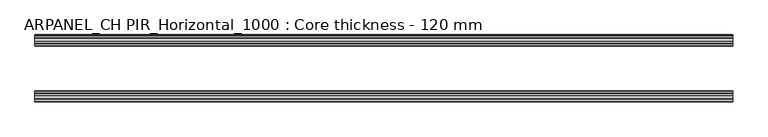
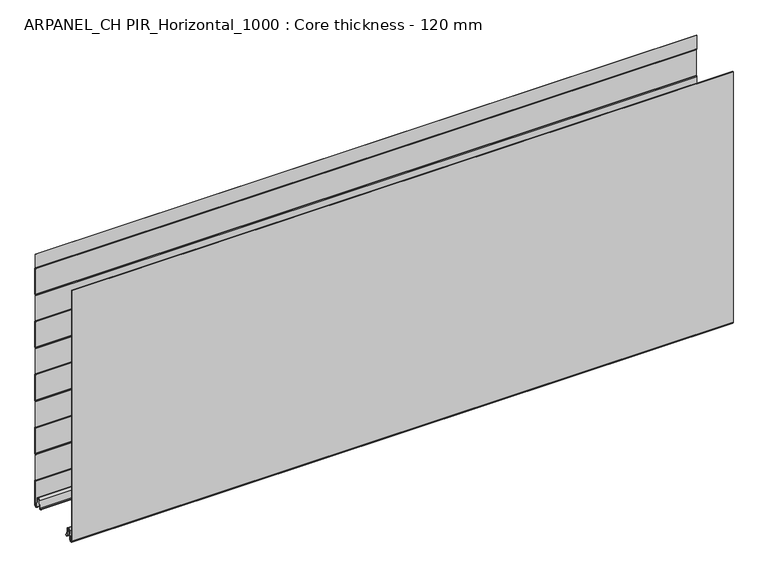
"""IFC4 building model written with IfcOpenShell, lengths in millimetres: plate geometry, ARPANEL_CH PIR_Horizontal_1000 : Core thickness - 120 mm."""

from ifc_helpers import new_model, si_unit, frame, origin, place, context, project, spatial, polyline, circle_curve, source, transform, mapped, element, save
from ifc_brep_helpers import plane_surface, cylinder_surface, revolved_surface, advanced_brep


def arpanel_ch_pir_horizontal_1000_core_thickness_120_mm_7b24f5a2(model_context):
    return source(origin(), model_context, "Body", "AdvancedBrep", [
        advanced_brep(
        [(620.0, -1.5003051, 473.4703605), (620.0, -1.0971009, 472.0509491), (620.0, -0.8, 470.9985637), (620.0, -0.8, 420.8387805), (620.0, -1.0986697, 419.7873646), (620.0, -1.5003051, 418.3669837), (620.0, -1.5003051, 368.2072005), (620.0, -1.0971009, 366.7877891), (620.0, -0.8, 365.7354037), (620.0, -0.8, 315.5756205), (620.0, -1.0986697, 314.5242046), (620.0, -1.5003051, 313.1038237), (620.0, -1.5003051, 262.9440405), (620.0, -1.0971009, 261.5246291), (620.0, -0.8, 260.4722437), (620.0, -0.8, 210.3124605), (620.0, -1.0986697, 209.2610446), (620.0, -1.5003051, 207.8406637), (620.0, -1.5003051, 157.6808805), (620.0, -1.0971009, 156.2614691), (620.0, -0.8, 155.2090837), (620.0, -0.8, 105.0493005), (620.0, -1.0986697, 103.9978846), (620.0, -1.5003051, 102.5775037), (620.0, -1.5003051, 52.4177205), (620.0, -1.0971009, 50.9983091), (620.0, -0.8, 49.9459237), (620.0, -0.8, 3.0900682), (620.0, -5.3893281, 2.8656275), (620.0, -7.0067021, 19.3608832), (620.0, -10.8223285, 22.7899182), (620.0, -14.6379549, 19.3608832), (620.0, -16.0235822, 5.2291629), (620.0, -18.8169005, 5.365779), (620.0, -19.6169005, 5.365779), (620.0, -15.2274002, 5.1510966), (620.0, -13.8417729, 19.2828169), (620.0, -10.8223285, 21.9898782), (620.0, -7.802884, 19.2828169), (620.0, -6.18551, 2.7875612), (620.0, -0.0003051, 3.0900682), (620.0, -0.0003051, 49.9459237), (620.0, -0.4034608, 51.3652568), (620.0, -0.7003051, 52.4177205), (620.0, -0.7003051, 102.5775037), (620.0, -0.4016712, 103.6288615), (620.0, -0.0003051, 105.0493005), (620.0, -0.0003051, 155.2090837), (620.0, -0.4034608, 156.6284168), (620.0, -0.7003051, 157.6808805), (620.0, -0.7003051, 207.8406637), (620.0, -0.4016712, 208.8920215), (620.0, -0.0003051, 210.3124605), (620.0, -0.0003051, 260.4722437), (620.0, -0.4034608, 261.8915768), (620.0, -0.7003051, 262.9440405), (620.0, -0.7003051, 313.1038237), (620.0, -0.4016712, 314.1551815), (620.0, -0.0003051, 315.5756205), (620.0, -0.0003051, 365.7354037), (620.0, -0.4034608, 367.1547368), (620.0, -0.7003051, 368.2072005), (620.0, -0.7003051, 418.3669837), (620.0, -0.4016712, 419.4183415), (620.0, -0.0003051, 420.8387805), (620.0, -0.0003051, 470.9985637), (620.0, -0.4034608, 472.4178968), (620.0, -0.7003051, 473.4703605), (620.0, -0.7003051, 500.0), (620.0, -1.5003051, 500.0), (-620.0, -0.7003051, 473.4703605), (-620.0, -0.4016712, 472.4190026), (-620.0, -0.0003051, 470.9985637), (-620.0, -0.0003051, 420.8387805), (-620.0, -0.4034608, 419.4194474), (-620.0, -0.7003051, 418.3669837), (-620.0, -0.7003051, 368.2072005), (-620.0, -0.4016712, 367.1558426), (-620.0, -0.0003051, 365.7354037), (-620.0, -0.0003051, 315.5756205), (-620.0, -0.4034608, 314.1562874), (-620.0, -0.7003051, 313.1038237), (-620.0, -0.7003051, 262.9440405), (-620.0, -0.4016712, 261.8926826), (-620.0, -0.0003051, 260.4722437), (-620.0, -0.0003051, 210.3124605), (-620.0, -0.4034608, 208.8931274), (-620.0, -0.7003051, 207.8406637), (-620.0, -0.7003051, 157.6808805), (-620.0, -0.4016712, 156.6295226), (-620.0, -0.0003051, 155.2090837), (-620.0, -0.0003051, 105.0493005), (-620.0, -0.4034608, 103.6299674), (-620.0, -0.7003051, 102.5775037), (-620.0, -0.7003051, 52.4177205), (-620.0, -0.4016712, 51.3663626), (-620.0, -0.0003051, 49.9459237), (-620.0, -0.0003051, 3.0900682), (-620.0, -6.18551, 2.7875612), (-620.0, -7.802884, 19.2828169), (-620.0, -10.8223285, 21.9898782), (-620.0, -13.8417729, 19.2828169), (-620.0, -15.2274002, 5.1510966), (-620.0, -19.6169005, 5.365779), (-620.0, -18.8169005, 5.365779), (-620.0, -16.0235822, 5.2291629), (-620.0, -14.6379549, 19.3608832), (-620.0, -10.8223285, 22.7899182), (-620.0, -7.0067021, 19.3608832), (-620.0, -5.3893281, 2.8656275), (-620.0, -0.8003051, 3.0900682), (-620.0, -0.8, 49.9459237), (-620.0, -1.0986697, 50.9973395), (-620.0, -1.5003051, 52.4177205), (-620.0, -1.5003051, 102.5775037), (-620.0, -1.0971009, 103.9969151), (-620.0, -0.8, 105.0493005), (-620.0, -0.8, 155.2090837), (-620.0, -1.0986697, 156.2604995), (-620.0, -1.5003051, 157.6808805), (-620.0, -1.5003051, 207.8406637), (-620.0, -1.0971009, 209.2600751), (-620.0, -0.8, 210.3124605), (-620.0, -0.8, 260.4722437), (-620.0, -1.0986697, 261.5236595), (-620.0, -1.5003051, 262.9440405), (-620.0, -1.5003051, 313.1038237), (-620.0, -1.0971009, 314.5232351), (-620.0, -0.8, 315.5756205), (-620.0, -0.8, 365.7354037), (-620.0, -1.0986697, 366.7868195), (-620.0, -1.5003051, 368.2072005), (-620.0, -1.5003051, 418.3669837), (-620.0, -1.0971009, 419.7863951), (-620.0, -0.8, 420.8387805), (-620.0, -0.8, 470.9985637), (-620.0, -1.0986697, 472.0499795), (-620.0, -1.5003051, 473.4703605), (-620.0, -1.5003051, 500.0), (-620.0, -0.7003051, 500.0)],
        [
            (0, 1, circle_curve(frame((620.0, 1.1996949, 473.4703605), z_axis=(1.0, 0.0, 0.0), x_axis=(0.0, 0.0, -1.0)), 2.7)),
            (1, 2, circle_curve(frame((620.0, -2.8, 470.9985637), z_axis=(-1.0, 0.0, 0.0), x_axis=(0.0, 0.0, -1.0)), 2.0)),
            (2, 3),
            (3, 4, circle_curve(frame((620.0, -2.8, 420.8387805), z_axis=(-1.0, 0.0, 0.0), x_axis=(0.0, 0.0, -1.0)), 2.0)),
            (4, 5, circle_curve(frame((620.0, 1.1996949, 418.3669837), z_axis=(1.0, 0.0, 0.0), x_axis=(0.0, 0.0, -1.0)), 2.7)),
            (5, 6),
            (6, 7, circle_curve(frame((620.0, 1.1996949, 368.2072005), z_axis=(1.0, 0.0, 0.0), x_axis=(0.0, 0.0, -1.0)), 2.7)),
            (7, 8, circle_curve(frame((620.0, -2.8, 365.7354037), z_axis=(-1.0, 0.0, 0.0), x_axis=(0.0, 0.0, -1.0)), 2.0)),
            (8, 9),
            (9, 10, circle_curve(frame((620.0, -2.8, 315.5756205), z_axis=(-1.0, 0.0, 0.0), x_axis=(0.0, 0.0, -1.0)), 2.0)),
            (10, 11, circle_curve(frame((620.0, 1.1996949, 313.1038237), z_axis=(1.0, 0.0, 0.0), x_axis=(0.0, 0.0, -1.0)), 2.7)),
            (11, 12),
            (12, 13, circle_curve(frame((620.0, 1.1996949, 262.9440405), z_axis=(1.0, 0.0, 0.0), x_axis=(0.0, 0.0, -1.0)), 2.7)),
            (13, 14, circle_curve(frame((620.0, -2.8, 260.4722437), z_axis=(-1.0, 0.0, 0.0), x_axis=(0.0, 0.0, -1.0)), 2.0)),
            (14, 15),
            (15, 16, circle_curve(frame((620.0, -2.8, 210.3124605), z_axis=(-1.0, 0.0, 0.0), x_axis=(0.0, 0.0, -1.0)), 2.0)),
            (16, 17, circle_curve(frame((620.0, 1.1996949, 207.8406637), z_axis=(1.0, 0.0, 0.0), x_axis=(0.0, 0.0, -1.0)), 2.7)),
            (17, 18),
            (18, 19, circle_curve(frame((620.0, 1.1996949, 157.6808805), z_axis=(1.0, 0.0, 0.0), x_axis=(0.0, 0.0, -1.0)), 2.7)),
            (19, 20, circle_curve(frame((620.0, -2.8, 155.2090837), z_axis=(-1.0, 0.0, 0.0), x_axis=(0.0, 0.0, -1.0)), 2.0)),
            (20, 21),
            (21, 22, circle_curve(frame((620.0, -2.8, 105.0493005), z_axis=(-1.0, 0.0, 0.0), x_axis=(0.0, 0.0, -1.0)), 2.0)),
            (22, 23, circle_curve(frame((620.0, 1.1996949, 102.5775037), z_axis=(1.0, 0.0, 0.0), x_axis=(0.0, 0.0, -1.0)), 2.7)),
            (23, 24),
            (24, 25, circle_curve(frame((620.0, 1.1996949, 52.4177205), z_axis=(1.0, 0.0, 0.0), x_axis=(0.0, 0.0, -1.0)), 2.7)),
            (25, 26, circle_curve(frame((620.0, -2.8, 49.9459237), z_axis=(-1.0, 0.0, 0.0), x_axis=(0.0, 0.0, -1.0)), 2.0)),
            (26, 27),
            (27, 28, circle_curve(frame((620.0, -3.1003051, 3.0900682), z_axis=(-1.0, 0.0, 0.0), x_axis=(0.0, 0.0, -1.0)), 2.3)),
            (28, 29),
            (29, 30, circle_curve(frame((620.0, -10.7885662, 18.9900682), z_axis=(1.0, 0.0, 0.0), x_axis=(0.0, 0.0, -1.0)), 3.8)),
            (30, 31, circle_curve(frame((620.0, -10.8560907, 18.9900682), z_axis=(1.0, 0.0, 0.0), x_axis=(0.0, 0.0, -1.0)), 3.8)),
            (31, 32),
            (32, 33, circle_curve(frame((620.0, -17.4169005, 5.365779), z_axis=(-1.0, 0.0, 0.0), x_axis=(0.0, 0.0, -1.0)), 1.4)),
            (33, 34),
            (34, 35, circle_curve(frame((620.0, -17.4169005, 5.365779), z_axis=(1.0, 0.0, 0.0), x_axis=(0.0, 0.0, -1.0)), 2.2)),
            (35, 36),
            (36, 37, circle_curve(frame((620.0, -10.8560907, 18.9900682), z_axis=(-1.0, 0.0, 0.0), x_axis=(0.0, 0.0, -1.0)), 3.0)),
            (37, 38, circle_curve(frame((620.0, -10.7885662, 18.9900682), z_axis=(-1.0, 0.0, 0.0), x_axis=(0.0, 0.0, -1.0)), 3.0)),
            (38, 39),
            (39, 40, circle_curve(frame((620.0, -3.1003051, 3.0900682), z_axis=(1.0, 0.0, 0.0), x_axis=(0.0, 0.0, -1.0)), 3.1)),
            (40, 41),
            (41, 42, circle_curve(frame((620.0, -2.7003051, 49.9459237), z_axis=(1.0, 0.0, 0.0), x_axis=(0.0, 0.0, -1.0)), 2.7)),
            (42, 43, circle_curve(frame((620.0, 1.2996949, 52.4177205), z_axis=(-1.0, 0.0, 0.0), x_axis=(0.0, 0.0, -1.0)), 2.0)),
            (43, 44),
            (44, 45, circle_curve(frame((620.0, 1.2996949, 102.5775037), z_axis=(-1.0, 0.0, 0.0), x_axis=(0.0, 0.0, -1.0)), 2.0)),
            (45, 46, circle_curve(frame((620.0, -2.7003051, 105.0493005), z_axis=(1.0, 0.0, 0.0), x_axis=(0.0, 0.0, -1.0)), 2.7)),
            (46, 47),
            (47, 48, circle_curve(frame((620.0, -2.7003051, 155.2090837), z_axis=(1.0, 0.0, 0.0), x_axis=(0.0, 0.0, -1.0)), 2.7)),
            (48, 49, circle_curve(frame((620.0, 1.2996949, 157.6808805), z_axis=(-1.0, 0.0, 0.0), x_axis=(0.0, 0.0, -1.0)), 2.0)),
            (49, 50),
            (50, 51, circle_curve(frame((620.0, 1.2996949, 207.8406637), z_axis=(-1.0, 0.0, 0.0), x_axis=(0.0, 0.0, -1.0)), 2.0)),
            (51, 52, circle_curve(frame((620.0, -2.7003051, 210.3124605), z_axis=(1.0, 0.0, 0.0), x_axis=(0.0, 0.0, -1.0)), 2.7)),
            (52, 53),
            (53, 54, circle_curve(frame((620.0, -2.7003051, 260.4722437), z_axis=(1.0, 0.0, 0.0), x_axis=(0.0, 0.0, -1.0)), 2.7)),
            (54, 55, circle_curve(frame((620.0, 1.2996949, 262.9440405), z_axis=(-1.0, 0.0, 0.0), x_axis=(0.0, 0.0, -1.0)), 2.0)),
            (55, 56),
            (56, 57, circle_curve(frame((620.0, 1.2996949, 313.1038237), z_axis=(-1.0, 0.0, 0.0), x_axis=(0.0, 0.0, -1.0)), 2.0)),
            (57, 58, circle_curve(frame((620.0, -2.7003051, 315.5756205), z_axis=(1.0, 0.0, 0.0), x_axis=(0.0, 0.0, -1.0)), 2.7)),
            (58, 59),
            (59, 60, circle_curve(frame((620.0, -2.7003051, 365.7354037), z_axis=(1.0, 0.0, 0.0), x_axis=(0.0, 0.0, -1.0)), 2.7)),
            (60, 61, circle_curve(frame((620.0, 1.2996949, 368.2072005), z_axis=(-1.0, 0.0, 0.0), x_axis=(0.0, 0.0, -1.0)), 2.0)),
            (61, 62),
            (62, 63, circle_curve(frame((620.0, 1.2996949, 418.3669837), z_axis=(-1.0, 0.0, 0.0), x_axis=(0.0, 0.0, -1.0)), 2.0)),
            (63, 64, circle_curve(frame((620.0, -2.7003051, 420.8387805), z_axis=(1.0, 0.0, 0.0), x_axis=(0.0, 0.0, -1.0)), 2.7)),
            (64, 65),
            (65, 66, circle_curve(frame((620.0, -2.7003051, 470.9985637), z_axis=(1.0, 0.0, 0.0), x_axis=(0.0, 0.0, -1.0)), 2.7)),
            (66, 67, circle_curve(frame((620.0, 1.2996949, 473.4703605), z_axis=(-1.0, 0.0, 0.0), x_axis=(0.0, 0.0, -1.0)), 2.0)),
            (67, 68),
            (68, 69),
            (69, 0),
            (70, 71, circle_curve(frame((-620.0, 1.2996949, 473.4703605), z_axis=(1.0, 0.0, 0.0), x_axis=(0.0, 0.0, -1.0)), 2.0)),
            (71, 72, circle_curve(frame((-620.0, -2.7003051, 470.9985637), z_axis=(-1.0, 0.0, 0.0), x_axis=(0.0, 0.0, -1.0)), 2.7)),
            (72, 73),
            (73, 74, circle_curve(frame((-620.0, -2.7003051, 420.8387805), z_axis=(-1.0, 0.0, 0.0), x_axis=(0.0, 0.0, -1.0)), 2.7)),
            (74, 75, circle_curve(frame((-620.0, 1.2996949, 418.3669837), z_axis=(1.0, 0.0, 0.0), x_axis=(0.0, 0.0, -1.0)), 2.0)),
            (75, 76),
            (76, 77, circle_curve(frame((-620.0, 1.2996949, 368.2072005), z_axis=(1.0, 0.0, 0.0), x_axis=(0.0, 0.0, -1.0)), 2.0)),
            (77, 78, circle_curve(frame((-620.0, -2.7003051, 365.7354037), z_axis=(-1.0, 0.0, 0.0), x_axis=(0.0, 0.0, -1.0)), 2.7)),
            (78, 79),
            (79, 80, circle_curve(frame((-620.0, -2.7003051, 315.5756205), z_axis=(-1.0, 0.0, 0.0), x_axis=(0.0, 0.0, -1.0)), 2.7)),
            (80, 81, circle_curve(frame((-620.0, 1.2996949, 313.1038237), z_axis=(1.0, 0.0, 0.0), x_axis=(0.0, 0.0, -1.0)), 2.0)),
            (81, 82),
            (82, 83, circle_curve(frame((-620.0, 1.2996949, 262.9440405), z_axis=(1.0, 0.0, 0.0), x_axis=(0.0, 0.0, -1.0)), 2.0)),
            (83, 84, circle_curve(frame((-620.0, -2.7003051, 260.4722437), z_axis=(-1.0, 0.0, 0.0), x_axis=(0.0, 0.0, -1.0)), 2.7)),
            (84, 85),
            (85, 86, circle_curve(frame((-620.0, -2.7003051, 210.3124605), z_axis=(-1.0, 0.0, 0.0), x_axis=(0.0, 0.0, -1.0)), 2.7)),
            (86, 87, circle_curve(frame((-620.0, 1.2996949, 207.8406637), z_axis=(1.0, 0.0, 0.0), x_axis=(0.0, 0.0, -1.0)), 2.0)),
            (87, 88),
            (88, 89, circle_curve(frame((-620.0, 1.2996949, 157.6808805), z_axis=(1.0, 0.0, 0.0), x_axis=(0.0, 0.0, -1.0)), 2.0)),
            (89, 90, circle_curve(frame((-620.0, -2.7003051, 155.2090837), z_axis=(-1.0, 0.0, 0.0), x_axis=(0.0, 0.0, -1.0)), 2.7)),
            (90, 91),
            (91, 92, circle_curve(frame((-620.0, -2.7003051, 105.0493005), z_axis=(-1.0, 0.0, 0.0), x_axis=(0.0, 0.0, -1.0)), 2.7)),
            (92, 93, circle_curve(frame((-620.0, 1.2996949, 102.5775037), z_axis=(1.0, 0.0, 0.0), x_axis=(0.0, 0.0, -1.0)), 2.0)),
            (93, 94),
            (94, 95, circle_curve(frame((-620.0, 1.2996949, 52.4177205), z_axis=(1.0, 0.0, 0.0), x_axis=(0.0, 0.0, -1.0)), 2.0)),
            (95, 96, circle_curve(frame((-620.0, -2.7003051, 49.9459237), z_axis=(-1.0, 0.0, 0.0), x_axis=(0.0, 0.0, -1.0)), 2.7)),
            (96, 97),
            (97, 98, circle_curve(frame((-620.0, -3.1003051, 3.0900682), z_axis=(-1.0, 0.0, 0.0), x_axis=(0.0, 0.0, -1.0)), 3.1)),
            (98, 99),
            (99, 100, circle_curve(frame((-620.0, -10.7885662, 18.9900682), z_axis=(1.0, 0.0, 0.0), x_axis=(0.0, 0.0, -1.0)), 3.0)),
            (100, 101, circle_curve(frame((-620.0, -10.8560907, 18.9900682), z_axis=(1.0, 0.0, 0.0), x_axis=(0.0, 0.0, -1.0)), 3.0)),
            (101, 102),
            (102, 103, circle_curve(frame((-620.0, -17.4169005, 5.365779), z_axis=(-1.0, 0.0, 0.0), x_axis=(0.0, 0.0, -1.0)), 2.2)),
            (103, 104),
            (104, 105, circle_curve(frame((-620.0, -17.4169005, 5.365779), z_axis=(1.0, 0.0, 0.0), x_axis=(0.0, 0.0, -1.0)), 1.4)),
            (105, 106),
            (106, 107, circle_curve(frame((-620.0, -10.8560907, 18.9900682), z_axis=(-1.0, 0.0, 0.0), x_axis=(0.0, 0.0, -1.0)), 3.8)),
            (107, 108, circle_curve(frame((-620.0, -10.7885662, 18.9900682), z_axis=(-1.0, 0.0, 0.0), x_axis=(0.0, 0.0, -1.0)), 3.8)),
            (108, 109),
            (109, 110, circle_curve(frame((-620.0, -3.1003051, 3.0900682), z_axis=(1.0, 0.0, 0.0), x_axis=(0.0, 0.0, -1.0)), 2.3)),
            (110, 111),
            (111, 112, circle_curve(frame((-620.0, -2.8, 49.9459237), z_axis=(1.0, 0.0, 0.0), x_axis=(0.0, 0.0, -1.0)), 2.0)),
            (112, 113, circle_curve(frame((-620.0, 1.1996949, 52.4177205), z_axis=(-1.0, 0.0, 0.0), x_axis=(0.0, 0.0, -1.0)), 2.7)),
            (113, 114),
            (114, 115, circle_curve(frame((-620.0, 1.1996949, 102.5775037), z_axis=(-1.0, 0.0, 0.0), x_axis=(0.0, 0.0, -1.0)), 2.7)),
            (115, 116, circle_curve(frame((-620.0, -2.8, 105.0493005), z_axis=(1.0, 0.0, 0.0), x_axis=(0.0, 0.0, -1.0)), 2.0)),
            (116, 117),
            (117, 118, circle_curve(frame((-620.0, -2.8, 155.2090837), z_axis=(1.0, 0.0, 0.0), x_axis=(0.0, 0.0, -1.0)), 2.0)),
            (118, 119, circle_curve(frame((-620.0, 1.1996949, 157.6808805), z_axis=(-1.0, 0.0, 0.0), x_axis=(0.0, 0.0, -1.0)), 2.7)),
            (119, 120),
            (120, 121, circle_curve(frame((-620.0, 1.1996949, 207.8406637), z_axis=(-1.0, 0.0, 0.0), x_axis=(0.0, 0.0, -1.0)), 2.7)),
            (121, 122, circle_curve(frame((-620.0, -2.8, 210.3124605), z_axis=(1.0, 0.0, 0.0), x_axis=(0.0, 0.0, -1.0)), 2.0)),
            (122, 123),
            (123, 124, circle_curve(frame((-620.0, -2.8, 260.4722437), z_axis=(1.0, 0.0, 0.0), x_axis=(0.0, 0.0, -1.0)), 2.0)),
            (124, 125, circle_curve(frame((-620.0, 1.1996949, 262.9440405), z_axis=(-1.0, 0.0, 0.0), x_axis=(0.0, 0.0, -1.0)), 2.7)),
            (125, 126),
            (126, 127, circle_curve(frame((-620.0, 1.1996949, 313.1038237), z_axis=(-1.0, 0.0, 0.0), x_axis=(0.0, 0.0, -1.0)), 2.7)),
            (127, 128, circle_curve(frame((-620.0, -2.8, 315.5756205), z_axis=(1.0, 0.0, 0.0), x_axis=(0.0, 0.0, -1.0)), 2.0)),
            (128, 129),
            (129, 130, circle_curve(frame((-620.0, -2.8, 365.7354037), z_axis=(1.0, 0.0, 0.0), x_axis=(0.0, 0.0, -1.0)), 2.0)),
            (130, 131, circle_curve(frame((-620.0, 1.1996949, 368.2072005), z_axis=(-1.0, 0.0, 0.0), x_axis=(0.0, 0.0, -1.0)), 2.7)),
            (131, 132),
            (132, 133, circle_curve(frame((-620.0, 1.1996949, 418.3669837), z_axis=(-1.0, 0.0, 0.0), x_axis=(0.0, 0.0, -1.0)), 2.7)),
            (133, 134, circle_curve(frame((-620.0, -2.8, 420.8387805), z_axis=(1.0, 0.0, 0.0), x_axis=(0.0, 0.0, -1.0)), 2.0)),
            (134, 135),
            (135, 136, circle_curve(frame((-620.0, -2.8, 470.9985637), z_axis=(1.0, 0.0, 0.0), x_axis=(0.0, 0.0, -1.0)), 2.0)),
            (136, 137, circle_curve(frame((-620.0, 1.1996949, 473.4703605), z_axis=(-1.0, 0.0, 0.0), x_axis=(0.0, 0.0, -1.0)), 2.7)),
            (137, 138),
            (138, 139),
            (139, 70),
            (137, 0),
            (69, 138),
            (136, 1),
            (135, 2),
            (134, 3),
            (133, 4),
            (132, 5),
            (131, 6),
            (130, 7),
            (129, 8),
            (128, 9),
            (127, 10),
            (126, 11),
            (125, 12),
            (124, 13),
            (123, 14),
            (122, 15),
            (121, 16),
            (120, 17),
            (119, 18),
            (118, 19),
            (117, 20),
            (116, 21),
            (115, 22),
            (114, 23),
            (113, 24),
            (112, 25),
            (111, 26),
            (110, 27),
            (109, 28),
            (108, 29),
            (107, 30),
            (106, 31),
            (105, 32),
            (104, 33),
            (103, 34),
            (102, 35),
            (101, 36),
            (100, 37),
            (99, 38),
            (98, 39),
            (97, 40),
            (96, 41),
            (95, 42),
            (94, 43),
            (93, 44),
            (92, 45),
            (91, 46),
            (90, 47),
            (89, 48),
            (88, 49),
            (87, 50),
            (86, 51),
            (85, 52),
            (84, 53),
            (83, 54),
            (82, 55),
            (81, 56),
            (80, 57),
            (79, 58),
            (78, 59),
            (77, 60),
            (76, 61),
            (75, 62),
            (74, 63),
            (73, 64),
            (72, 65),
            (71, 66),
            (70, 67),
            (139, 68),
        ],
        [
            plane_surface(frame((620.0, 0.0, 0.0), z_axis=(1.0, 0.0, 0.0), x_axis=(0.0, -1.0, 0.0))),
            plane_surface(frame((-620.0, 0.0, 0.0), z_axis=(-1.0, 0.0, 0.0), x_axis=(0.0, -1.0, 0.0))),
            plane_surface(frame((620.0, -1.5003051, 523.6301437), z_axis=(0.0, -1.0, 0.0), x_axis=(-1.0, 0.0, 0.0))),
            cylinder_surface(frame((620.0, 1.1996949, 473.4703605), z_axis=(1.0, 0.0, 0.0), x_axis=(0.0, 0.0, -1.0)), 2.7),
            revolved_surface(polyline([(-620.0, -2.8, 468.9985637), (620.0, -2.8, 468.9985637)]), (620.0, -2.8, 470.9985637), (-1.0, 0.0, 0.0)),
            plane_surface(frame((620.0, -0.8, 470.9985637), z_axis=(0.0, -1.0, 0.0), x_axis=(-1.0, 0.0, 0.0))),
            revolved_surface(polyline([(-620.0, -2.8, 418.8387805), (620.0, -2.8, 418.8387805)]), (620.0, -2.8, 420.8387805), (-1.0, 0.0, 0.0)),
            cylinder_surface(frame((620.0, 1.1996949, 418.3669837), z_axis=(1.0, 0.0, 0.0), x_axis=(0.0, 0.0, -1.0)), 2.7),
            plane_surface(frame((620.0, -1.5003051, 418.3669837), z_axis=(0.0, -1.0, 0.0), x_axis=(-1.0, 0.0, 0.0))),
            cylinder_surface(frame((620.0, 1.1996949, 368.2072005), z_axis=(1.0, 0.0, 0.0), x_axis=(0.0, 0.0, -1.0)), 2.7),
            revolved_surface(polyline([(-620.0, -2.8, 363.7354037), (620.0, -2.8, 363.7354037)]), (620.0, -2.8, 365.7354037), (-1.0, 0.0, 0.0)),
            plane_surface(frame((620.0, -0.8, 365.7354037), z_axis=(0.0, -1.0, 0.0), x_axis=(-1.0, 0.0, 0.0))),
            revolved_surface(polyline([(-620.0, -2.8, 313.5756205), (620.0, -2.8, 313.5756205)]), (620.0, -2.8, 315.5756205), (-1.0, 0.0, 0.0)),
            cylinder_surface(frame((620.0, 1.1996949, 313.1038237), z_axis=(1.0, 0.0, 0.0), x_axis=(0.0, 0.0, -1.0)), 2.7),
            plane_surface(frame((620.0, -1.5003051, 313.1038237), z_axis=(0.0, -1.0, 0.0), x_axis=(-1.0, 0.0, 0.0))),
            cylinder_surface(frame((620.0, 1.1996949, 262.9440405), z_axis=(1.0, 0.0, 0.0), x_axis=(0.0, 0.0, -1.0)), 2.7),
            revolved_surface(polyline([(-620.0, -2.8, 258.4722437), (620.0, -2.8, 258.4722437)]), (620.0, -2.8, 260.4722437), (-1.0, 0.0, 0.0)),
            plane_surface(frame((620.0, -0.8, 260.4722437), z_axis=(0.0, -1.0, 0.0), x_axis=(-1.0, 0.0, 0.0))),
            revolved_surface(polyline([(-620.0, -2.8, 208.3124605), (620.0, -2.8, 208.3124605)]), (620.0, -2.8, 210.3124605), (-1.0, 0.0, 0.0)),
            cylinder_surface(frame((620.0, 1.1996949, 207.8406637), z_axis=(1.0, 0.0, 0.0), x_axis=(0.0, 0.0, -1.0)), 2.7),
            plane_surface(frame((620.0, -1.5003051, 207.8406637), z_axis=(0.0, -1.0, 0.0), x_axis=(-1.0, 0.0, 0.0))),
            cylinder_surface(frame((620.0, 1.1996949, 157.6808805), z_axis=(1.0, 0.0, 0.0), x_axis=(0.0, 0.0, -1.0)), 2.7),
            revolved_surface(polyline([(-620.0, -2.8, 153.2090837), (620.0, -2.8, 153.2090837)]), (620.0, -2.8, 155.2090837), (-1.0, 0.0, 0.0)),
            plane_surface(frame((620.0, -0.8, 155.2090837), z_axis=(0.0, -1.0, 0.0), x_axis=(-1.0, 0.0, 0.0))),
            revolved_surface(polyline([(-620.0, -2.8, 103.0493005), (620.0, -2.8, 103.0493005)]), (620.0, -2.8, 105.0493005), (-1.0, 0.0, 0.0)),
            cylinder_surface(frame((620.0, 1.1996949, 102.5775037), z_axis=(1.0, 0.0, 0.0), x_axis=(0.0, 0.0, -1.0)), 2.7),
            plane_surface(frame((620.0, -1.5003051, 102.5775037), z_axis=(0.0, -1.0, 0.0), x_axis=(-1.0, 0.0, 0.0))),
            cylinder_surface(frame((620.0, 1.1996949, 52.4177205), z_axis=(1.0, 0.0, 0.0), x_axis=(0.0, 0.0, -1.0)), 2.7),
            revolved_surface(polyline([(-620.0, -2.8, 47.9459237), (620.0, -2.8, 47.9459237)]), (620.0, -2.8, 49.9459237), (-1.0, 0.0, 0.0)),
            plane_surface(frame((620.0, -0.8, 49.9459237), z_axis=(0.0, -1.0, 0.0), x_axis=(-1.0, 0.0, 0.0))),
            revolved_surface(polyline([(-620.0, -3.1003051, 0.7900682000000003), (620.0, -3.1003051, 0.7900682000000003)]), (620.0, -3.1003051, 3.0900682), (-1.0, 0.0, 0.0)),
            plane_surface(frame((620.0, -5.3893281, 2.8656275), z_axis=(0.0, 0.9952273999818314, 0.09758289975914787), x_axis=(-1.0, 0.0, 0.0))),
            cylinder_surface(frame((620.0, -10.7885662, 18.9900682), z_axis=(1.0, 0.0, 0.0), x_axis=(0.0, 0.0, -1.0)), 3.8),
            cylinder_surface(frame((620.0, -10.8560907, 18.9900682), z_axis=(1.0, 0.0, 0.0), x_axis=(0.0, 0.0, -1.0)), 3.8),
            plane_surface(frame((620.0, -14.6379549, 19.3608832), z_axis=(0.0, -0.9952273999818297, 0.09758289975916531), x_axis=(-1.0, 0.0, 0.0))),
            revolved_surface(polyline([(-620.0, -17.4169005, 3.965779), (620.0, -17.4169005, 3.965779)]), (620.0, -17.4169005, 5.365779), (-1.0, 0.0, 0.0)),
            plane_surface(frame((620.0, -18.8169005, 5.365779), z_axis=(0.0, 0.0, 1.0), x_axis=(-1.0, 0.0, 0.0))),
            cylinder_surface(frame((620.0, -17.4169005, 5.365779), z_axis=(1.0, 0.0, 0.0), x_axis=(0.0, 0.0, -1.0)), 2.2),
            plane_surface(frame((620.0, -15.2274002, 5.1510966), z_axis=(0.0, 0.9952273999818296, -0.09758289975916527), x_axis=(-1.0, 0.0, 0.0))),
            revolved_surface(polyline([(-620.0, -10.8560907, 15.9900682), (620.0, -10.8560907, 15.9900682)]), (620.0, -10.8560907, 18.9900682), (-1.0, 0.0, 0.0)),
            revolved_surface(polyline([(-620.0, -10.7885662, 15.9900682), (620.0, -10.7885662, 15.9900682)]), (620.0, -10.7885662, 18.9900682), (-1.0, 0.0, 0.0)),
            plane_surface(frame((620.0, -7.802884, 19.2828169), z_axis=(0.0, -0.9952273999818314, -0.09758289975914787), x_axis=(-1.0, 0.0, 0.0))),
            cylinder_surface(frame((620.0, -3.1003051, 3.0900682), z_axis=(1.0, 0.0, 0.0), x_axis=(0.0, 0.0, -1.0)), 3.1),
            plane_surface(frame((620.0, -0.0003051, 3.0900682), z_axis=(0.0, 1.0, 0.0), x_axis=(-1.0, 0.0, 0.0))),
            cylinder_surface(frame((620.0, -2.7003051, 49.9459237), z_axis=(1.0, 0.0, 0.0), x_axis=(0.0, 0.0, -1.0)), 2.7),
            revolved_surface(polyline([(-620.0, 1.2996949, 50.4177205), (620.0, 1.2996949, 50.4177205)]), (620.0, 1.2996949, 52.4177205), (-1.0, 0.0, 0.0)),
            plane_surface(frame((620.0, -0.7003051, 52.4177205), z_axis=(0.0, 1.0, 0.0), x_axis=(-1.0, 0.0, 0.0))),
            revolved_surface(polyline([(-620.0, 1.2996949, 100.5775037), (620.0, 1.2996949, 100.5775037)]), (620.0, 1.2996949, 102.5775037), (-1.0, 0.0, 0.0)),
            cylinder_surface(frame((620.0, -2.7003051, 105.0493005), z_axis=(1.0, 0.0, 0.0), x_axis=(0.0, 0.0, -1.0)), 2.7),
            plane_surface(frame((620.0, -0.0003051, 105.0493005), z_axis=(0.0, 1.0, 0.0), x_axis=(-1.0, 0.0, 0.0))),
            cylinder_surface(frame((620.0, -2.7003051, 155.2090837), z_axis=(1.0, 0.0, 0.0), x_axis=(0.0, 0.0, -1.0)), 2.7),
            revolved_surface(polyline([(-620.0, 1.2996949, 155.6808805), (620.0, 1.2996949, 155.6808805)]), (620.0, 1.2996949, 157.6808805), (-1.0, 0.0, 0.0)),
            plane_surface(frame((620.0, -0.7003051, 157.6808805), z_axis=(0.0, 1.0, 0.0), x_axis=(-1.0, 0.0, 0.0))),
            revolved_surface(polyline([(-620.0, 1.2996949, 205.8406637), (620.0, 1.2996949, 205.8406637)]), (620.0, 1.2996949, 207.8406637), (-1.0, 0.0, 0.0)),
            cylinder_surface(frame((620.0, -2.7003051, 210.3124605), z_axis=(1.0, 0.0, 0.0), x_axis=(0.0, 0.0, -1.0)), 2.7),
            plane_surface(frame((620.0, -0.0003051, 210.3124605), z_axis=(0.0, 1.0, 0.0), x_axis=(-1.0, 0.0, 0.0))),
            cylinder_surface(frame((620.0, -2.7003051, 260.4722437), z_axis=(1.0, 0.0, 0.0), x_axis=(0.0, 0.0, -1.0)), 2.7),
            revolved_surface(polyline([(-620.0, 1.2996949, 260.9440405), (620.0, 1.2996949, 260.9440405)]), (620.0, 1.2996949, 262.9440405), (-1.0, 0.0, 0.0)),
            plane_surface(frame((620.0, -0.7003051, 262.9440405), z_axis=(0.0, 1.0, 0.0), x_axis=(-1.0, 0.0, 0.0))),
            revolved_surface(polyline([(-620.0, 1.2996949, 311.1038237), (620.0, 1.2996949, 311.1038237)]), (620.0, 1.2996949, 313.1038237), (-1.0, 0.0, 0.0)),
            cylinder_surface(frame((620.0, -2.7003051, 315.5756205), z_axis=(1.0, 0.0, 0.0), x_axis=(0.0, 0.0, -1.0)), 2.7),
            plane_surface(frame((620.0, -0.0003051, 315.5756205), z_axis=(0.0, 1.0, 0.0), x_axis=(-1.0, 0.0, 0.0))),
            cylinder_surface(frame((620.0, -2.7003051, 365.7354037), z_axis=(1.0, 0.0, 0.0), x_axis=(0.0, 0.0, -1.0)), 2.7),
            revolved_surface(polyline([(-620.0, 1.2996949, 366.2072005), (620.0, 1.2996949, 366.2072005)]), (620.0, 1.2996949, 368.2072005), (-1.0, 0.0, 0.0)),
            plane_surface(frame((620.0, -0.7003051, 368.2072005), z_axis=(0.0, 1.0, 0.0), x_axis=(-1.0, 0.0, 0.0))),
            revolved_surface(polyline([(-620.0, 1.2996949, 416.3669837), (620.0, 1.2996949, 416.3669837)]), (620.0, 1.2996949, 418.3669837), (-1.0, 0.0, 0.0)),
            cylinder_surface(frame((620.0, -2.7003051, 420.8387805), z_axis=(1.0, 0.0, 0.0), x_axis=(0.0, 0.0, -1.0)), 2.7),
            plane_surface(frame((620.0, -0.0003051, 420.8387805), z_axis=(0.0, 1.0, 0.0), x_axis=(-1.0, 0.0, 0.0))),
            cylinder_surface(frame((620.0, -2.7003051, 470.9985637), z_axis=(1.0, 0.0, 0.0), x_axis=(0.0, 0.0, -1.0)), 2.7),
            revolved_surface(polyline([(-620.0, 1.2996949, 471.4703605), (620.0, 1.2996949, 471.4703605)]), (620.0, 1.2996949, 473.4703605), (-1.0, 0.0, 0.0)),
            plane_surface(frame((620.0, -0.7003051, 473.4703605), z_axis=(0.0, 1.0, 0.0), x_axis=(-1.0, 0.0, 0.0))),
            plane_surface(frame((-620.0, 134.0533409, 500.0), z_axis=(0.0, 0.0, 1.0), x_axis=(1.0, 0.0, 0.0))),
        ],
        [
            (0, [[1, 2, 3, 4, 5, 6, 7, 8, 9, 10, 11, 12, 13, 14, 15, 16, 17, 18, 19, 20, 21, 22, 23, 24, 25, 26, 27, 28, 29, 30, 31, 32, 33, 34, 35, 36, 37, 38, 39, 40, 41, 42, 43, 44, 45, 46, 47, 48, 49, 50, 51, 52, 53, 54, 55, 56, 57, 58, 59, 60, 61, 62, 63, 64, 65, 66, 67, 68, 69, 70]]),
            (1, [[71, 72, 73, 74, 75, 76, 77, 78, 79, 80, 81, 82, 83, 84, 85, 86, 87, 88, 89, 90, 91, 92, 93, 94, 95, 96, 97, 98, 99, 100, 101, 102, 103, 104, 105, 106, 107, 108, 109, 110, 111, 112, 113, 114, 115, 116, 117, 118, 119, 120, 121, 122, 123, 124, 125, 126, 127, 128, 129, 130, 131, 132, 133, 134, 135, 136, 137, 138, 139, 140]]),
            (2, [[141, -70, 142, -138]]),
            (3, [[-1, -141, -137, 143]]),
            (4, [[-2, -143, -136, 144]]),
            (5, [[-3, -144, -135, 145]]),
            (6, [[-4, -145, -134, 146]]),
            (7, [[-5, -146, -133, 147]]),
            (8, [[-6, -147, -132, 148]]),
            (9, [[-7, -148, -131, 149]]),
            (10, [[-8, -149, -130, 150]]),
            (11, [[-9, -150, -129, 151]]),
            (12, [[-10, -151, -128, 152]]),
            (13, [[-11, -152, -127, 153]]),
            (14, [[-12, -153, -126, 154]]),
            (15, [[-13, -154, -125, 155]]),
            (16, [[-14, -155, -124, 156]]),
            (17, [[-15, -156, -123, 157]]),
            (18, [[-16, -157, -122, 158]]),
            (19, [[-17, -158, -121, 159]]),
            (20, [[-18, -159, -120, 160]]),
            (21, [[-19, -160, -119, 161]]),
            (22, [[-20, -161, -118, 162]]),
            (23, [[-21, -162, -117, 163]]),
            (24, [[-22, -163, -116, 164]]),
            (25, [[-23, -164, -115, 165]]),
            (26, [[-24, -165, -114, 166]]),
            (27, [[-25, -166, -113, 167]]),
            (28, [[-26, -167, -112, 168]]),
            (29, [[-27, -168, -111, 169]]),
            (30, [[-28, -169, -110, 170]]),
            (31, [[-29, -170, -109, 171]]),
            (32, [[-30, -171, -108, 172]]),
            (33, [[-31, -172, -107, 173]]),
            (34, [[-32, -173, -106, 174]]),
            (35, [[-33, -174, -105, 175]]),
            (36, [[-34, -175, -104, 176]]),
            (37, [[-35, -176, -103, 177]]),
            (38, [[-36, -177, -102, 178]]),
            (39, [[-37, -178, -101, 179]]),
            (40, [[-38, -179, -100, 180]]),
            (41, [[-39, -180, -99, 181]]),
            (42, [[-40, -181, -98, 182]]),
            (43, [[-41, -182, -97, 183]]),
            (44, [[-42, -183, -96, 184]]),
            (45, [[-43, -184, -95, 185]]),
            (46, [[-44, -185, -94, 186]]),
            (47, [[-45, -186, -93, 187]]),
            (48, [[-46, -187, -92, 188]]),
            (49, [[-47, -188, -91, 189]]),
            (50, [[-48, -189, -90, 190]]),
            (51, [[-49, -190, -89, 191]]),
            (52, [[-50, -191, -88, 192]]),
            (53, [[-51, -192, -87, 193]]),
            (54, [[-52, -193, -86, 194]]),
            (55, [[-53, -194, -85, 195]]),
            (56, [[-54, -195, -84, 196]]),
            (57, [[-55, -196, -83, 197]]),
            (58, [[-56, -197, -82, 198]]),
            (59, [[-57, -198, -81, 199]]),
            (60, [[-58, -199, -80, 200]]),
            (61, [[-59, -200, -79, 201]]),
            (62, [[-60, -201, -78, 202]]),
            (63, [[-61, -202, -77, 203]]),
            (64, [[-62, -203, -76, 204]]),
            (65, [[-63, -204, -75, 205]]),
            (66, [[-64, -205, -74, 206]]),
            (67, [[-65, -206, -73, 207]]),
            (68, [[-66, -207, -72, 208]]),
            (69, [[-67, -208, -71, 209]]),
            (70, [[-209, -140, 210, -68]]),
            (71, [[-69, -210, -139, -142]]),
        ],
    ),
        advanced_brep(
        [(620.0, -119.9996949, 3.0900682), (620.0, -113.81449, 2.7875612), (620.0, -112.197116, 19.2828169), (620.0, -109.1776715, 21.9898782), (620.0, -106.1582271, 19.2828169), (620.0, -104.7725998, 5.1510966), (620.0, -100.3830995, 5.365779), (620.0, -101.1830995, 5.365779), (620.0, -103.9764178, 5.2291629), (620.0, -105.3620451, 19.3608832), (620.0, -109.1776715, 22.7899182), (620.0, -112.9932979, 19.3608832), (620.0, -114.6106719, 2.8656275), (620.0, -119.1996949, 3.0900682), (620.0, -119.2, 500.0), (620.0, -119.9996949, 500.0), (-620.0, -119.1996949, 3.0900682), (-620.0, -114.6106719, 2.8656275), (-620.0, -112.9932979, 19.3608832), (-620.0, -109.1776715, 22.7899182), (-620.0, -105.3620451, 19.3608832), (-620.0, -103.9764178, 5.2291629), (-620.0, -101.1830995, 5.365779), (-620.0, -100.3830995, 5.365779), (-620.0, -104.7725998, 5.1510966), (-620.0, -106.1582271, 19.2828169), (-620.0, -109.1776715, 21.9898782), (-620.0, -112.197116, 19.2828169), (-620.0, -113.81449, 2.7875612), (-620.0, -119.9996949, 3.0900682), (-620.0, -119.9996949, 500.0), (-620.0, -119.2, 500.0)],
        [
            (0, 1, circle_curve(frame((620.0, -116.8996949, 3.0900682), z_axis=(1.0, 0.0, 0.0), x_axis=(0.0, 0.0, -1.0)), 3.1)),
            (1, 2),
            (2, 3, circle_curve(frame((620.0, -109.2114338, 18.9900682), z_axis=(-1.0, 0.0, 0.0), x_axis=(0.0, 0.0, -1.0)), 3.0)),
            (3, 4, circle_curve(frame((620.0, -109.1439093, 18.9900682), z_axis=(-1.0, 0.0, 0.0), x_axis=(0.0, 0.0, -1.0)), 3.0)),
            (4, 5),
            (5, 6, circle_curve(frame((620.0, -102.5830995, 5.365779), z_axis=(1.0, 0.0, 0.0), x_axis=(0.0, 0.0, -1.0)), 2.2)),
            (6, 7),
            (7, 8, circle_curve(frame((620.0, -102.5830995, 5.365779), z_axis=(-1.0, 0.0, 0.0), x_axis=(0.0, 0.0, -1.0)), 1.4)),
            (8, 9),
            (9, 10, circle_curve(frame((620.0, -109.1439093, 18.9900682), z_axis=(1.0, 0.0, 0.0), x_axis=(0.0, 0.0, -1.0)), 3.8)),
            (10, 11, circle_curve(frame((620.0, -109.2114338, 18.9900682), z_axis=(1.0, 0.0, 0.0), x_axis=(0.0, 0.0, -1.0)), 3.8)),
            (11, 12),
            (12, 13, circle_curve(frame((620.0, -116.8996949, 3.0900682), z_axis=(-1.0, 0.0, 0.0), x_axis=(0.0, 0.0, -1.0)), 2.3)),
            (13, 14),
            (14, 15),
            (15, 0),
            (16, 17, circle_curve(frame((-620.0, -116.8996949, 3.0900682), z_axis=(1.0, 0.0, 0.0), x_axis=(0.0, 0.0, -1.0)), 2.3)),
            (17, 18),
            (18, 19, circle_curve(frame((-620.0, -109.2114338, 18.9900682), z_axis=(-1.0, 0.0, 0.0), x_axis=(0.0, 0.0, -1.0)), 3.8)),
            (19, 20, circle_curve(frame((-620.0, -109.1439093, 18.9900682), z_axis=(-1.0, 0.0, 0.0), x_axis=(0.0, 0.0, -1.0)), 3.8)),
            (20, 21),
            (21, 22, circle_curve(frame((-620.0, -102.5830995, 5.365779), z_axis=(1.0, 0.0, 0.0), x_axis=(0.0, 0.0, -1.0)), 1.4)),
            (22, 23),
            (23, 24, circle_curve(frame((-620.0, -102.5830995, 5.365779), z_axis=(-1.0, 0.0, 0.0), x_axis=(0.0, 0.0, -1.0)), 2.2)),
            (24, 25),
            (25, 26, circle_curve(frame((-620.0, -109.1439093, 18.9900682), z_axis=(1.0, 0.0, 0.0), x_axis=(0.0, 0.0, -1.0)), 3.0)),
            (26, 27, circle_curve(frame((-620.0, -109.2114338, 18.9900682), z_axis=(1.0, 0.0, 0.0), x_axis=(0.0, 0.0, -1.0)), 3.0)),
            (27, 28),
            (28, 29, circle_curve(frame((-620.0, -116.8996949, 3.0900682), z_axis=(-1.0, 0.0, 0.0), x_axis=(0.0, 0.0, -1.0)), 3.1)),
            (29, 30),
            (30, 31),
            (31, 16),
            (13, 16),
            (31, 14),
            (12, 17),
            (11, 18),
            (10, 19),
            (9, 20),
            (8, 21),
            (7, 22),
            (6, 23),
            (5, 24),
            (4, 25),
            (3, 26),
            (2, 27),
            (1, 28),
            (0, 29),
            (15, 30),
        ],
        [
            plane_surface(frame((620.0, -120.0, 0.0), z_axis=(1.0, 0.0, 0.0), x_axis=(0.0, 1.0, 0.0))),
            plane_surface(frame((-620.0, -120.0, 0.0), z_axis=(-1.0, 0.0, 0.0), x_axis=(0.0, 1.0, 0.0))),
            plane_surface(frame((620.0, -119.2, 3.0900682), z_axis=(0.0, 1.0, 0.0), x_axis=(-1.0, 0.0, 0.0))),
            revolved_surface(polyline([(-620.0, -116.8996949, 0.7900682000000003), (620.0, -116.8996949, 0.7900682000000003)]), (620.0, -116.8996949, 3.0900682), (-1.0, 0.0, 0.0)),
            plane_surface(frame((620.0, -112.9932979, 19.3608832), z_axis=(0.0, -0.9952273999818314, 0.09758289975914787), x_axis=(-1.0, 0.0, 0.0))),
            cylinder_surface(frame((620.0, -109.2114338, 18.9900682), z_axis=(1.0, 0.0, 0.0), x_axis=(0.0, 0.0, -1.0)), 3.8),
            cylinder_surface(frame((620.0, -109.1439093, 18.9900682), z_axis=(1.0, 0.0, 0.0), x_axis=(0.0, 0.0, -1.0)), 3.8),
            plane_surface(frame((620.0, -103.9764178, 5.2291629), z_axis=(0.0, 0.9952273999818297, 0.09758289975916531), x_axis=(-1.0, 0.0, 0.0))),
            revolved_surface(polyline([(-620.0, -102.5830995, 3.965779), (620.0, -102.5830995, 3.965779)]), (620.0, -102.5830995, 5.365779), (-1.0, 0.0, 0.0)),
            plane_surface(frame((620.0, -100.3830995, 5.365779), z_axis=(0.0, 0.0, 1.0), x_axis=(-1.0, 0.0, 0.0))),
            cylinder_surface(frame((620.0, -102.5830995, 5.365779), z_axis=(1.0, 0.0, 0.0), x_axis=(0.0, 0.0, -1.0)), 2.2),
            plane_surface(frame((620.0, -106.1582271, 19.2828169), z_axis=(0.0, -0.9952273999818296, -0.09758289975916527), x_axis=(-1.0, 0.0, 0.0))),
            revolved_surface(polyline([(-620.0, -109.1439093, 15.9900682), (620.0, -109.1439093, 15.9900682)]), (620.0, -109.1439093, 18.9900682), (-1.0, 0.0, 0.0)),
            revolved_surface(polyline([(-620.0, -109.2114338, 15.9900682), (620.0, -109.2114338, 15.9900682)]), (620.0, -109.2114338, 18.9900682), (-1.0, 0.0, 0.0)),
            plane_surface(frame((620.0, -113.81449, 2.7875612), z_axis=(0.0, 0.9952273999818314, -0.09758289975914787), x_axis=(-1.0, 0.0, 0.0))),
            cylinder_surface(frame((620.0, -116.8996949, 3.0900682), z_axis=(1.0, 0.0, 0.0), x_axis=(0.0, 0.0, -1.0)), 3.1),
            plane_surface(frame((620.0, -119.9996949, 993.9000005), z_axis=(0.0, -1.0, 0.0), x_axis=(-1.0, 0.0, 0.0))),
            plane_surface(frame((-620.0, 134.0533409, 500.0), z_axis=(0.0, 0.0, 1.0), x_axis=(1.0, 0.0, 0.0))),
        ],
        [
            (0, [[1, 2, 3, 4, 5, 6, 7, 8, 9, 10, 11, 12, 13, 14, 15, 16]]),
            (1, [[17, 18, 19, 20, 21, 22, 23, 24, 25, 26, 27, 28, 29, 30, 31, 32]]),
            (2, [[33, -32, 34, -14]]),
            (3, [[-13, 35, -17, -33]]),
            (4, [[-12, 36, -18, -35]]),
            (5, [[-11, 37, -19, -36]]),
            (6, [[-10, 38, -20, -37]]),
            (7, [[-9, 39, -21, -38]]),
            (8, [[-8, 40, -22, -39]]),
            (9, [[-7, 41, -23, -40]]),
            (10, [[-6, 42, -24, -41]]),
            (11, [[-5, 43, -25, -42]]),
            (12, [[-4, 44, -26, -43]]),
            (13, [[-3, 45, -27, -44]]),
            (14, [[-2, 46, -28, -45]]),
            (15, [[-1, 47, -29, -46]]),
            (16, [[-47, -16, 48, -30]]),
            (17, [[-15, -34, -31, -48]]),
        ],
    ),
    ])


if __name__ == "__main__":
    model = new_model("IFC4")
    model_context = context("Model", 3, world=origin())
    ifc_project = project(units=[si_unit("LENGTHUNIT", "METRE", prefix="MILLI")], contexts=[model_context])
    site = spatial("IfcSite", under=ifc_project)
    building = spatial("IfcBuilding", under=site)
    placement = place(None, origin())
    arpanel_ch_pir_horizontal_1000_core_thickness_120_mm_shape = arpanel_ch_pir_horizontal_1000_core_thickness_120_mm_7b24f5a2(model_context)
    element("IfcPlate", 1, ObjectType="ARPANEL_CH PIR_Horizontal_1000 : Core thickness - 120 mm", at=placement, inside=building, context=model_context, shape_type="MappedRepresentation", body=[
        mapped(arpanel_ch_pir_horizontal_1000_core_thickness_120_mm_shape, transform((0.0, 0.0, 0.0), x_axis=(1.0, 0.0, 0.0), y_axis=(0.0, 1.0, 0.0), z_axis=(0.0, 0.0, 1.0))),
    ])
    save(model, "model.ifc")
